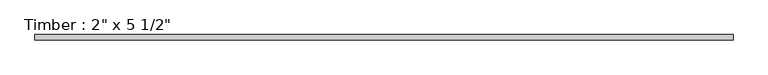
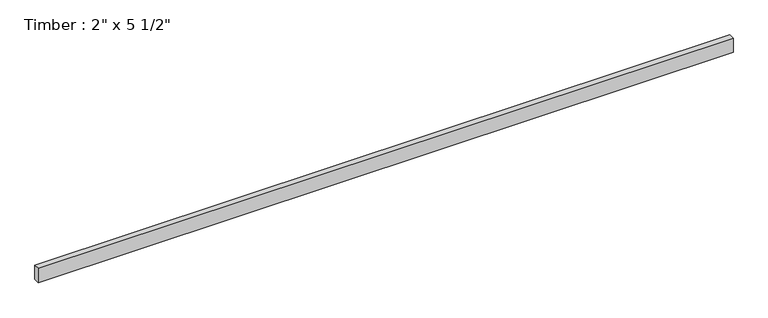
"""IFC4 building model written with IfcOpenShell, lengths in millimetres: beam geometry."""

from ifc_helpers import new_model, si_unit, frame, origin, place, context, project, spatial, polyline, outline, extrude, source, transform, mapped, element, save


def beam_277439b3(model_context):
    return source(origin(), model_context, "Body", "SweptSolid", [
        extrude(outline(polyline([(3195.3559549, 25.4), (3195.3559549, -25.4), (-3195.3559549, -25.4), (-3195.3559549, 25.4), (3195.3559549, 25.4)])), frame((0.0, 0.0, -69.85), z_axis=(0.0, 0.0, 1.0), x_axis=(1.0, 0.0, 0.0)), (0.0, 0.0, 1.0), 139.7),
    ])


if __name__ == "__main__":
    model = new_model("IFC4")
    model_context = context("Model", 3, world=origin())
    ifc_project = project(units=[si_unit("LENGTHUNIT", "METRE", prefix="MILLI")], contexts=[model_context])
    site = spatial("IfcSite", under=ifc_project)
    building = spatial("IfcBuilding", under=site)
    placement = place(None, origin())
    beam_shape = beam_277439b3(model_context)
    element("IfcBeam", 1, ObjectType="Timber : 2\" x 5 1/2\"", at=placement, inside=building, context=model_context, shape_type="MappedRepresentation", body=[
        mapped(beam_shape, transform((0.0, 0.0, 0.0), x_axis=(1.0, 0.0, 0.0), y_axis=(0.0, 1.0, 0.0), z_axis=(0.0, 0.0, 1.0))),
    ])
    save(model, "model.ifc")
